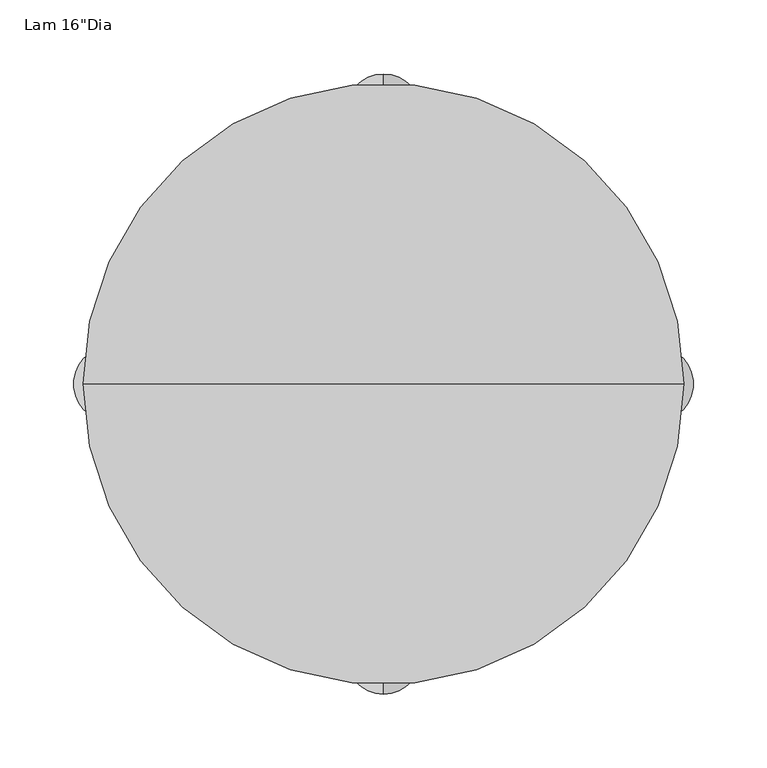
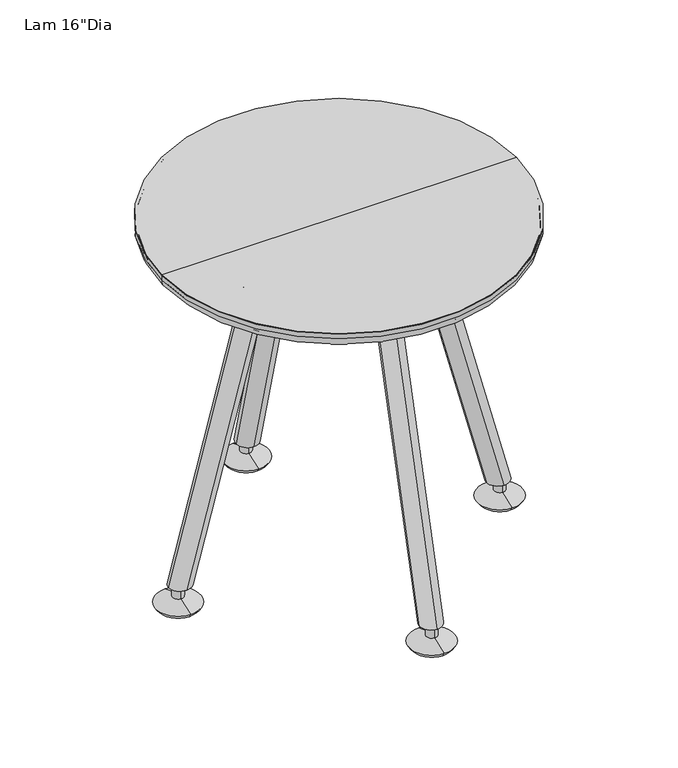
"""IFC4 building model written with IfcOpenShell, lengths in millimetres: furniture geometry."""

from ifc_helpers import new_model, si_unit, point, frame, origin, place, context, project, spatial, polyline, circle_curve, ellipse_curve, trimmed, source, transform, mapped, element, save
from ifc_brep_helpers import plane_surface, cylinder_surface, revolved_surface, advanced_brep


def furniture_f097f61e(model_context):
    return source(origin(), model_context, "Body", "AdvancedBrep", [
        advanced_brep(
        [(-184.15, 0.0, 25.7156366), (-184.15, -6.35, 25.7156366), (-184.15, 6.35, 25.7156366), (-184.15, -6.35, 11.8293866), (-184.15, 6.35, 11.8293866), (-184.15, -25.4, 4.2567259), (-184.15, 25.4, 4.2567259), (-184.15, -22.5645557, 0.0), (-184.15, 22.5645557, 0.0), (-184.15, 0.0, 0.0)],
        [
            (0, 1),
            (1, 2, circle_curve(frame((-184.15, 0.0, 25.7156366), z_axis=(0.0, 0.0, 1.0), x_axis=(0.0, -1.0, 0.0)), 6.35)),
            (2, 0),
            (2, 1, circle_curve(frame((-184.15, 0.0, 25.7156366), z_axis=(0.0, 0.0, 1.0), x_axis=(0.0, -1.0, 0.0)), 6.35)),
            (1, 3),
            (3, 4, circle_curve(frame((-184.15, 0.0, 11.8293866), z_axis=(0.0, 0.0, 1.0), x_axis=(0.0, -1.0, 0.0)), 6.35)),
            (4, 2),
            (4, 3, circle_curve(frame((-184.15, 0.0, 11.8293866), z_axis=(0.0, 0.0, 1.0), x_axis=(0.0, -1.0, 0.0)), 6.35)),
            (3, 5),
            (5, 6, circle_curve(frame((-184.15, 0.0, 4.2567259), z_axis=(0.0, 0.0, 1.0), x_axis=(0.0, -1.0, 0.0)), 25.4)),
            (6, 4),
            (6, 5, circle_curve(frame((-184.15, 0.0, 4.2567259), z_axis=(0.0, 0.0, 1.0), x_axis=(0.0, -1.0, 0.0)), 25.4)),
            (5, 7),
            (7, 8, circle_curve(frame((-184.15, 0.0, 0.0), z_axis=(0.0, 0.0, 1.0), x_axis=(0.0, -1.0, 0.0)), 22.5645557)),
            (8, 6),
            (8, 7, circle_curve(frame((-184.15, 0.0, 0.0), z_axis=(0.0, 0.0, 1.0), x_axis=(0.0, -1.0, 0.0)), 22.5645557)),
            (7, 9),
            (9, 8),
        ],
        [
            plane_surface(frame((-184.15, 0.0, 25.7156366), z_axis=(0.0, 0.0, 1.0), x_axis=(0.0, -1.0, 0.0))),
            cylinder_surface(frame((-184.15, 0.0, 21.123915), z_axis=(0.0, 0.0, 1.0), x_axis=(0.0, -1.0, 0.0)), 6.35),
            revolved_surface(polyline([(-184.15, -25.4, 4.2567259), (-184.15, -6.35, 11.8293866)]), (-184.15, 0.0, 21.123915), (0.0, 0.0, 1.0)),
            revolved_surface(polyline([(-184.15, -22.5645557, 0.0), (-184.15, -25.4, 4.2567259)]), (-184.15, 0.0, 21.123915), (0.0, 0.0, 1.0)),
            plane_surface(frame((-184.15, 0.0, 0.0), z_axis=(0.0, 0.0, -1.0), x_axis=(0.0, -1.0, 0.0))),
        ],
        [
            (0, [[1, 2, 3]]),
            (0, [[-3, 4, -1]]),
            (1, [[-2, 5, 6, 7]]),
            (1, [[-4, -7, 8, -5]]),
            (2, [[-6, 9, 10, 11]]),
            (2, [[-8, -11, 12, -9]]),
            (3, [[-10, 13, 14, 15]]),
            (3, [[-12, -15, 16, -13]]),
            (4, [[-14, 17, 18]]),
            (4, [[-16, -18, -17]]),
        ],
    ),
        advanced_brep(
        [(0.0, -184.15, 25.7156366), (0.0, -190.5, 25.7156366), (0.0, -177.8, 25.7156366), (0.0, -190.5, 11.8293866), (0.0, -177.8, 11.8293866), (0.0, -209.55, 4.2567259), (0.0, -158.75, 4.2567259), (0.0, -206.7145557, 0.0), (0.0, -161.5854443, 0.0), (0.0, -184.15, 0.0)],
        [
            (0, 1),
            (1, 2, circle_curve(frame((0.0, -184.15, 25.7156366), z_axis=(0.0, 0.0, 1.0), x_axis=(0.0, -1.0, 0.0)), 6.35)),
            (2, 0),
            (2, 1, circle_curve(frame((0.0, -184.15, 25.7156366), z_axis=(0.0, 0.0, 1.0), x_axis=(0.0, -1.0, 0.0)), 6.35)),
            (1, 3),
            (3, 4, circle_curve(frame((0.0, -184.15, 11.8293866), z_axis=(0.0, 0.0, 1.0), x_axis=(0.0, -1.0, 0.0)), 6.35)),
            (4, 2),
            (4, 3, circle_curve(frame((0.0, -184.15, 11.8293866), z_axis=(0.0, 0.0, 1.0), x_axis=(0.0, -1.0, 0.0)), 6.35)),
            (3, 5),
            (5, 6, circle_curve(frame((0.0, -184.15, 4.2567259), z_axis=(0.0, 0.0, 1.0), x_axis=(0.0, -1.0, 0.0)), 25.4)),
            (6, 4),
            (6, 5, circle_curve(frame((0.0, -184.15, 4.2567259), z_axis=(0.0, 0.0, 1.0), x_axis=(0.0, -1.0, 0.0)), 25.4)),
            (5, 7),
            (7, 8, circle_curve(frame((0.0, -184.15, 0.0), z_axis=(0.0, 0.0, 1.0), x_axis=(0.0, -1.0, 0.0)), 22.5645557)),
            (8, 6),
            (8, 7, circle_curve(frame((0.0, -184.15, 0.0), z_axis=(0.0, 0.0, 1.0), x_axis=(0.0, -1.0, 0.0)), 22.5645557)),
            (7, 9),
            (9, 8),
        ],
        [
            plane_surface(frame((0.0, -184.15, 25.7156366), z_axis=(0.0, 0.0, 1.0), x_axis=(0.0, -1.0, 0.0))),
            cylinder_surface(frame((0.0, -184.15, 21.123915), z_axis=(0.0, 0.0, 1.0), x_axis=(0.0, -1.0, 0.0)), 6.35),
            revolved_surface(polyline([(0.0, -209.55, 4.2567259), (0.0, -190.5, 11.8293866)]), (0.0, -184.15, 21.123915), (0.0, 0.0, 1.0)),
            revolved_surface(polyline([(0.0, -206.7145557, 0.0), (0.0, -209.55, 4.2567259)]), (0.0, -184.15, 21.123915), (0.0, 0.0, 1.0)),
            plane_surface(frame((0.0, -184.15, 0.0), z_axis=(0.0, 0.0, -1.0), x_axis=(0.0, -1.0, 0.0))),
        ],
        [
            (0, [[1, 2, 3]]),
            (0, [[-3, 4, -1]]),
            (1, [[-2, 5, 6, 7]]),
            (1, [[-4, -7, 8, -5]]),
            (2, [[-6, 9, 10, 11]]),
            (2, [[-8, -11, 12, -9]]),
            (3, [[-10, 13, 14, 15]]),
            (3, [[-12, -15, 16, -13]]),
            (4, [[-14, 17, 18]]),
            (4, [[-16, -18, -17]]),
        ],
    ),
        advanced_brep(
        [(184.15, 0.0, 25.7156366), (184.15, -6.35, 25.7156366), (184.15, 6.35, 25.7156366), (184.15, -6.35, 11.8293866), (184.15, 6.35, 11.8293866), (184.15, -25.4, 4.2567259), (184.15, 25.4, 4.2567259), (184.15, -22.5645557, 0.0), (184.15, 22.5645557, 0.0), (184.15, 0.0, 0.0)],
        [
            (0, 1),
            (1, 2, circle_curve(frame((184.15, 0.0, 25.7156366), z_axis=(0.0, 0.0, 1.0), x_axis=(0.0, -1.0, 0.0)), 6.35)),
            (2, 0),
            (2, 1, circle_curve(frame((184.15, 0.0, 25.7156366), z_axis=(0.0, 0.0, 1.0), x_axis=(0.0, -1.0, 0.0)), 6.35)),
            (1, 3),
            (3, 4, circle_curve(frame((184.15, 0.0, 11.8293866), z_axis=(0.0, 0.0, 1.0), x_axis=(0.0, -1.0, 0.0)), 6.35)),
            (4, 2),
            (4, 3, circle_curve(frame((184.15, 0.0, 11.8293866), z_axis=(0.0, 0.0, 1.0), x_axis=(0.0, -1.0, 0.0)), 6.35)),
            (3, 5),
            (5, 6, circle_curve(frame((184.15, 0.0, 4.2567259), z_axis=(0.0, 0.0, 1.0), x_axis=(0.0, -1.0, 0.0)), 25.4)),
            (6, 4),
            (6, 5, circle_curve(frame((184.15, 0.0, 4.2567259), z_axis=(0.0, 0.0, 1.0), x_axis=(0.0, -1.0, 0.0)), 25.4)),
            (5, 7),
            (7, 8, circle_curve(frame((184.15, 0.0, 0.0), z_axis=(0.0, 0.0, 1.0), x_axis=(0.0, -1.0, 0.0)), 22.5645557)),
            (8, 6),
            (8, 7, circle_curve(frame((184.15, 0.0, 0.0), z_axis=(0.0, 0.0, 1.0), x_axis=(0.0, -1.0, 0.0)), 22.5645557)),
            (7, 9),
            (9, 8),
        ],
        [
            plane_surface(frame((184.15, 0.0, 25.7156366), z_axis=(0.0, 0.0, 1.0), x_axis=(0.0, -1.0, 0.0))),
            cylinder_surface(frame((184.15, 0.0, 21.123915), z_axis=(0.0, 0.0, 1.0), x_axis=(0.0, -1.0, 0.0)), 6.35),
            revolved_surface(polyline([(184.15, -25.4, 4.2567259), (184.15, -6.35, 11.8293866)]), (184.15, 0.0, 21.123915), (0.0, 0.0, 1.0)),
            revolved_surface(polyline([(184.15, -22.5645557, 0.0), (184.15, -25.4, 4.2567259)]), (184.15, 0.0, 21.123915), (0.0, 0.0, 1.0)),
            plane_surface(frame((184.15, 0.0, 0.0), z_axis=(0.0, 0.0, -1.0), x_axis=(0.0, -1.0, 0.0))),
        ],
        [
            (0, [[1, 2, 3]]),
            (0, [[-3, 4, -1]]),
            (1, [[-2, 5, 6, 7]]),
            (1, [[-4, -7, 8, -5]]),
            (2, [[-6, 9, 10, 11]]),
            (2, [[-8, -11, 12, -9]]),
            (3, [[-10, 13, 14, 15]]),
            (3, [[-12, -15, 16, -13]]),
            (4, [[-14, 17, 18]]),
            (4, [[-16, -18, -17]]),
        ],
    ),
        advanced_brep(
        [(0.0, 184.15, 25.7156366), (0.0, 177.8, 25.7156366), (0.0, 190.5, 25.7156366), (0.0, 177.8, 11.8293866), (0.0, 190.5, 11.8293866), (0.0, 158.75, 4.2567259), (0.0, 209.55, 4.2567259), (0.0, 161.5854443, 0.0), (0.0, 206.7145557, 0.0), (0.0, 184.15, 0.0)],
        [
            (0, 1),
            (1, 2, circle_curve(frame((0.0, 184.15, 25.7156366), z_axis=(0.0, 0.0, 1.0), x_axis=(0.0, -1.0, 0.0)), 6.35)),
            (2, 0),
            (2, 1, circle_curve(frame((0.0, 184.15, 25.7156366), z_axis=(0.0, 0.0, 1.0), x_axis=(0.0, -1.0, 0.0)), 6.35)),
            (1, 3),
            (3, 4, circle_curve(frame((0.0, 184.15, 11.8293866), z_axis=(0.0, 0.0, 1.0), x_axis=(0.0, -1.0, 0.0)), 6.35)),
            (4, 2),
            (4, 3, circle_curve(frame((0.0, 184.15, 11.8293866), z_axis=(0.0, 0.0, 1.0), x_axis=(0.0, -1.0, 0.0)), 6.35)),
            (3, 5),
            (5, 6, circle_curve(frame((0.0, 184.15, 4.2567259), z_axis=(0.0, 0.0, 1.0), x_axis=(0.0, -1.0, 0.0)), 25.4)),
            (6, 4),
            (6, 5, circle_curve(frame((0.0, 184.15, 4.2567259), z_axis=(0.0, 0.0, 1.0), x_axis=(0.0, -1.0, 0.0)), 25.4)),
            (5, 7),
            (7, 8, circle_curve(frame((0.0, 184.15, 0.0), z_axis=(0.0, 0.0, 1.0), x_axis=(0.0, -1.0, 0.0)), 22.5645557)),
            (8, 6),
            (8, 7, circle_curve(frame((0.0, 184.15, 0.0), z_axis=(0.0, 0.0, 1.0), x_axis=(0.0, -1.0, 0.0)), 22.5645557)),
            (7, 9),
            (9, 8),
        ],
        [
            plane_surface(frame((0.0, 184.15, 25.7156366), z_axis=(0.0, 0.0, 1.0), x_axis=(0.0, -1.0, 0.0))),
            cylinder_surface(frame((0.0, 184.15, 21.123915), z_axis=(0.0, 0.0, 1.0), x_axis=(0.0, -1.0, 0.0)), 6.35),
            revolved_surface(polyline([(0.0, 158.75, 4.2567259), (0.0, 177.8, 11.8293866)]), (0.0, 184.15, 21.123915), (0.0, 0.0, 1.0)),
            revolved_surface(polyline([(0.0, 161.5854443, 0.0), (0.0, 158.75, 4.2567259)]), (0.0, 184.15, 21.123915), (0.0, 0.0, 1.0)),
            plane_surface(frame((0.0, 184.15, 0.0), z_axis=(0.0, 0.0, -1.0), x_axis=(0.0, -1.0, 0.0))),
        ],
        [
            (0, [[1, 2, 3]]),
            (0, [[-3, 4, -1]]),
            (1, [[-2, 5, 6, 7]]),
            (1, [[-4, -7, 8, -5]]),
            (2, [[-6, 9, 10, 11]]),
            (2, [[-8, -11, 12, -9]]),
            (3, [[-10, 13, 14, 15]]),
            (3, [[-12, -15, 16, -13]]),
            (4, [[-14, 17, 18]]),
            (4, [[-16, -18, -17]]),
        ],
    ),
        advanced_brep(
        [(-190.6563046, 0.0, 387.3372949), (190.6563046, 0.0, 387.3372949), (190.6563046, 0.0, 390.5122949), (-190.6563046, 0.0, 390.5122949), (-203.2, 0.0, 399.9979692), (203.2, 0.0, 399.9979692), (-203.2, 0.0, 405.4391187), (203.2, 0.0, 405.4391187), (-200.0252434, 0.0, 405.4391187), (200.0252434, 0.0, 405.4391187), (-200.0252434, 0.0, 399.9979692), (200.0252434, 0.0, 399.9979692)],
        [
            (0, 1, circle_curve(frame((0.0, 0.0, 387.3372949), z_axis=(0.0, 0.0, -1.0), x_axis=(1.0, 0.0, 0.0)), 190.6563046)),
            (1, 2),
            (2, 3, circle_curve(frame((0.0, 0.0, 390.5122949), z_axis=(0.0, 0.0, 1.0), x_axis=(1.0, 0.0, 0.0)), 190.6563046)),
            (3, 0),
            (1, 0, circle_curve(frame((0.0, 0.0, 387.3372949), z_axis=(0.0, 0.0, -1.0), x_axis=(1.0, 0.0, 0.0)), 190.6563046)),
            (3, 2, circle_curve(frame((0.0, 0.0, 390.5122949), z_axis=(0.0, 0.0, 1.0), x_axis=(1.0, 0.0, 0.0)), 190.6563046)),
            (4, 5, circle_curve(frame((0.0, 0.0, 399.9979692), z_axis=(0.0, 0.0, -1.0), x_axis=(1.0, 0.0, 0.0)), 203.2)),
            (5, 1, circle_curve(frame((190.5387802, 0.0, 399.9979692), z_axis=(0.0, 1.0, 0.0), x_axis=(1.0, 0.0, 0.0)), 12.6612198)),
            (0, 4, circle_curve(frame((-190.5387802, 0.0, 399.9979692), z_axis=(0.0, 1.0, 0.0), x_axis=(-1.0, 0.0, 0.0)), 12.6612198)),
            (5, 4, circle_curve(frame((0.0, 0.0, 399.9979692), z_axis=(0.0, 0.0, -1.0), x_axis=(1.0, 0.0, 0.0)), 203.2)),
            (6, 7, circle_curve(frame((0.0, 0.0, 405.4391187), z_axis=(0.0, 0.0, -1.0), x_axis=(1.0, 0.0, 0.0)), 203.2)),
            (7, 5),
            (4, 6),
            (7, 6, circle_curve(frame((0.0, 0.0, 405.4391187), z_axis=(0.0, 0.0, -1.0), x_axis=(1.0, 0.0, 0.0)), 203.2)),
            (8, 9, circle_curve(frame((0.0, 0.0, 405.4391187), z_axis=(0.0, 0.0, -1.0), x_axis=(1.0, 0.0, 0.0)), 200.0252434)),
            (9, 7),
            (6, 8),
            (9, 8, circle_curve(frame((0.0, 0.0, 405.4391187), z_axis=(0.0, 0.0, -1.0), x_axis=(1.0, 0.0, 0.0)), 200.0252434)),
            (10, 11, circle_curve(frame((0.0, 0.0, 399.9979692), z_axis=(0.0, 0.0, -1.0), x_axis=(1.0, 0.0, 0.0)), 200.0252434)),
            (11, 9),
            (8, 10),
            (11, 10, circle_curve(frame((0.0, 0.0, 399.9979692), z_axis=(0.0, 0.0, -1.0), x_axis=(1.0, 0.0, 0.0)), 200.0252434)),
            (2, 11, circle_curve(frame((190.5388418, 0.0, 399.9979692), z_axis=(0.0, -1.0, 0.0), x_axis=(1.0, 0.0, 0.0)), 9.4864016)),
            (10, 3, circle_curve(frame((-190.5388418, 0.0, 399.9979692), z_axis=(0.0, -1.0, 0.0), x_axis=(-1.0, 0.0, 0.0)), 9.4864016)),
        ],
        [
            revolved_surface(polyline([(190.6563046, 0.0, 390.5122949), (190.6563046, 0.0, 387.3372949)]), (0.0, 0.0, 485.7749879), (0.0, 0.0, 1.0)),
            revolved_surface(trimmed(ellipse_curve(frame((190.5387802, 0.0, 399.9979692), z_axis=(0.0, -1.0, 0.0), x_axis=(1.0, 0.0, 0.0)), 12.6612198, 12.6612198), [point((190.6563046, 0.0, 387.3372949))], [point((203.2, 0.0, 399.9979692))], True, "CARTESIAN"), (0.0, 0.0, 485.7749879), (0.0, 0.0, 1.0)),
            cylinder_surface(frame((0.0, 0.0, 485.7749879), z_axis=(0.0, 0.0, 1.0), x_axis=(1.0, 0.0, 0.0)), 203.2),
            plane_surface(frame((0.0, 0.0, 405.4391187), z_axis=(0.0, 0.0, 1.0), x_axis=(1.0, 0.0, 0.0))),
            revolved_surface(polyline([(200.0252434, 0.0, 405.4391187), (200.0252434, 0.0, 399.9979692)]), (0.0, 0.0, 485.7749879), (0.0, 0.0, 1.0)),
            revolved_surface(trimmed(ellipse_curve(frame((190.5388418, 0.0, 399.9979692), z_axis=(0.0, 1.0, 0.0), x_axis=(1.0, 0.0, 0.0)), 9.4864016, 9.4864016), [point((200.0252434, 0.0, 399.9979692))], [point((190.6563046, 0.0, 390.5122949))], True, "CARTESIAN"), (0.0, 0.0, 485.7749879), (0.0, 0.0, 1.0)),
        ],
        [
            (0, [[1, 2, 3, 4]]),
            (0, [[5, -4, 6, -2]]),
            (1, [[7, 8, -1, 9]]),
            (1, [[10, -9, -5, -8]]),
            (2, [[11, 12, -7, 13]]),
            (2, [[14, -13, -10, -12]]),
            (3, [[15, 16, -11, 17]]),
            (3, [[18, -17, -14, -16]]),
            (4, [[19, 20, -15, 21]]),
            (4, [[22, -21, -18, -20]]),
            (5, [[-3, 23, -19, 24]]),
            (5, [[-6, -24, -22, -23]]),
        ],
    ),
        advanced_brep(
        [(12.7, -99.0439999, 340.116994), (0.0, -111.3113855, 343.4040182), (0.0, -195.0965842, 24.9771279), (12.7, -181.9643094, 24.9771279), (-12.7, -99.0439999, 340.116994), (-12.7, -181.9643094, 24.9771279), (0.0, -86.7766143, 336.8299698), (0.0, -168.8320346, 24.9771279), (12.7, -56.1086028, 373.0625121), (0.0, -56.1086028, 385.7625121), (-12.7, -56.1086028, 373.0625121), (0.0, -56.1086028, 360.3625121), (12.7, 56.1086028, 373.0625121), (0.0, 56.1086028, 385.7625121), (-12.7, 56.1086028, 373.0625121), (0.0, 56.1086028, 360.3625121), (12.7, 99.0439999, 340.116994), (0.0, 111.3112607, 343.4039854), (-12.7, 99.0439999, 340.116994), (0.0, 86.7767391, 336.8300026), (12.7, 181.9643094, 24.9771279), (0.0, 195.0965842, 24.9771279), (-12.7, 181.9643094, 24.9771279), (0.0, 168.8320346, 24.9771279)],
        [
            (0, 1, circle_curve(frame((0.0, -99.0439999, 340.116994), z_axis=(0.0, -0.2588182182833468, -0.965926047834219), x_axis=(0.0, -0.965926047834219, 0.2588182182833468)), 12.7)),
            (1, 2),
            (2, 3, ellipse_curve(frame((0.0, -181.9643094, 24.9771279), z_axis=(0.0, 0.0, 1.0), x_axis=(0.0, -1.0, 0.0)), 13.1322748, 12.7)),
            (3, 0),
            (1, 4, circle_curve(frame((0.0, -99.0439999, 340.116994), z_axis=(0.0, -0.2588182182833468, -0.965926047834219), x_axis=(0.0, -0.965926047834219, 0.2588182182833468)), 12.7)),
            (4, 5),
            (5, 2, ellipse_curve(frame((0.0, -181.9643094, 24.9771279), z_axis=(0.0, 0.0, 1.0), x_axis=(0.0, -1.0, 0.0)), 13.1322748, 12.7)),
            (4, 6, circle_curve(frame((0.0, -99.0439999, 340.116994), z_axis=(0.0, -0.2588182182833468, -0.965926047834219), x_axis=(0.0, -0.965926047834219, 0.2588182182833468)), 12.7)),
            (6, 7),
            (7, 5, ellipse_curve(frame((0.0, -181.9643094, 24.9771279), z_axis=(0.0, 0.0, 1.0), x_axis=(0.0, -1.0, 0.0)), 13.1322748, 12.7)),
            (6, 0, circle_curve(frame((0.0, -99.0439999, 340.116994), z_axis=(0.0, -0.2588182182833468, -0.965926047834219), x_axis=(0.0, -0.965926047834219, 0.2588182182833468)), 12.7)),
            (3, 7, ellipse_curve(frame((0.0, -181.9643094, 24.9771279), z_axis=(0.0, 0.0, 1.0), x_axis=(0.0, -1.0, 0.0)), 13.1322748, 12.7)),
            (0, 8, circle_curve(frame((12.7, -56.1086028, 328.6125284), z_axis=(-1.0, 0.0, 0.0), x_axis=(0.0, -0.965926047834219, 0.2588182182833468)), 44.4499837)),
            (8, 9, circle_curve(frame((0.0, -56.1086028, 373.0625121), z_axis=(0.0, -1.0, 0.0), x_axis=(0.0, 0.0, 1.0)), 12.7)),
            (9, 1, circle_curve(frame((0.0, -56.1086028, 328.6125284), z_axis=(1.0, 0.0, 0.0), x_axis=(0.0, -0.965926047834219, 0.2588182182833468)), 57.1499837)),
            (9, 10, circle_curve(frame((0.0, -56.1086028, 373.0625121), z_axis=(0.0, -1.0, 0.0), x_axis=(0.0, 0.0, 1.0)), 12.7)),
            (10, 4, circle_curve(frame((-12.7, -56.1086028, 328.6125284), z_axis=(1.0, 0.0, 0.0), x_axis=(0.0, -0.965926047834219, 0.2588182182833468)), 44.4499837)),
            (10, 11, circle_curve(frame((0.0, -56.1086028, 373.0625121), z_axis=(0.0, -1.0, 0.0), x_axis=(0.0, 0.0, 1.0)), 12.7)),
            (11, 6, circle_curve(frame((0.0, -56.1086028, 328.6125284), z_axis=(1.0, 0.0, 0.0), x_axis=(0.0, -0.965926047834219, 0.2588182182833468)), 31.7499837)),
            (11, 8, circle_curve(frame((0.0, -56.1086028, 373.0625121), z_axis=(0.0, -1.0, 0.0), x_axis=(0.0, 0.0, 1.0)), 12.7)),
            (8, 12),
            (12, 13, circle_curve(frame((0.0, 56.1086028, 373.0625121), z_axis=(0.0, -1.0, 0.0), x_axis=(0.0, 0.0, 1.0)), 12.7)),
            (13, 9),
            (13, 14, circle_curve(frame((0.0, 56.1086028, 373.0625121), z_axis=(0.0, -1.0, 0.0), x_axis=(0.0, 0.0, 1.0)), 12.7)),
            (14, 10),
            (14, 15, circle_curve(frame((0.0, 56.1086028, 373.0625121), z_axis=(0.0, -1.0, 0.0), x_axis=(0.0, 0.0, 1.0)), 12.7)),
            (15, 11),
            (15, 12, circle_curve(frame((0.0, 56.1086028, 373.0625121), z_axis=(0.0, -1.0, 0.0), x_axis=(0.0, 0.0, 1.0)), 12.7)),
            (12, 16, circle_curve(frame((12.7, 56.1086028, 328.6125284), z_axis=(-1.0, 0.0, 0.0), x_axis=(0.0, 0.0, 1.0)), 44.4499837)),
            (16, 17, circle_curve(frame((0.0, 99.0439999, 340.116994), z_axis=(0.0, -0.2588182182830243, 0.9659260478343054), x_axis=(0.0, 0.9659260478343054, 0.2588182182830243)), 12.7)),
            (17, 13, circle_curve(frame((0.0, 56.1086028, 328.6125284), z_axis=(1.0, 0.0, 0.0), x_axis=(0.0, 0.0, 1.0)), 57.1499837)),
            (17, 18, circle_curve(frame((0.0, 99.0439999, 340.116994), z_axis=(0.0, -0.25881821828309315, 0.9659260478342869), x_axis=(0.0, 0.9659260478342869, 0.25881821828309315)), 12.7)),
            (18, 14, circle_curve(frame((-12.7, 56.1086028, 328.6125284), z_axis=(1.0, 0.0, 0.0), x_axis=(0.0, 0.0, 1.0)), 44.4499837)),
            (18, 19, circle_curve(frame((0.0, 99.0439999, 340.116994), z_axis=(0.0, -0.25881821828302387, 0.9659260478343055), x_axis=(0.0, 0.9659260478343055, 0.25881821828302387)), 12.7)),
            (19, 15, circle_curve(frame((0.0, 56.1086028, 328.6125284), z_axis=(1.0, 0.0, 0.0), x_axis=(0.0, 0.0, 1.0)), 31.7499837)),
            (19, 16, circle_curve(frame((0.0, 99.0439999, 340.116994), z_axis=(0.0, -0.2588182182828975, 0.9659260478343393), x_axis=(0.0, 0.9659260478343393, 0.2588182182828975)), 12.7)),
            (16, 20),
            (20, 21, ellipse_curve(frame((0.0, 181.9643094, 24.9771279), z_axis=(0.0, 0.0, 1.0), x_axis=(0.0, -1.0, 0.0)), 13.1322748, 12.7)),
            (21, 17),
            (21, 22, ellipse_curve(frame((0.0, 181.9643094, 24.9771279), z_axis=(0.0, 0.0, 1.0), x_axis=(0.0, -1.0, 0.0)), 13.1322748, 12.7)),
            (22, 18),
            (22, 23, ellipse_curve(frame((0.0, 181.9643094, 24.9771279), z_axis=(0.0, 0.0, 1.0), x_axis=(0.0, -1.0, 0.0)), 13.1322748, 12.7)),
            (23, 19),
            (23, 20, ellipse_curve(frame((0.0, 181.9643094, 24.9771279), z_axis=(0.0, 0.0, 1.0), x_axis=(0.0, -1.0, 0.0)), 13.1322748, 12.7)),
        ],
        [
            cylinder_surface(frame((0.0, -188.5363475, 0.0), z_axis=(0.0, -0.25446105723991413, -0.9670830214352567), x_axis=(0.0, -0.9670830214352567, 0.25446105723991413)), 12.7),
            revolved_surface(trimmed(ellipse_curve(frame((0.0, -99.0439999, 340.116994), z_axis=(0.0, -0.2588182182833468, -0.965926047834219), x_axis=(0.0, -0.965926047834219, 0.2588182182833468)), 12.7, 12.7), [point((12.7, -99.0439999, 340.116994))], [point((0.0, -111.3112607, 343.4039854))], True, "CARTESIAN"), (0.0, -56.1086028, 328.6125284), (-1.0, 0.0, 0.0)),
            revolved_surface(trimmed(ellipse_curve(frame((0.0, -99.0439999, 340.116994), z_axis=(0.0, -0.2588182182833468, -0.965926047834219), x_axis=(0.0, -0.965926047834219, 0.2588182182833468)), 12.7, 12.7), [point((0.0, -111.3112607, 343.4039854))], [point((-12.7, -99.0439999, 340.116994))], True, "CARTESIAN"), (0.0, -56.1086028, 328.6125284), (-1.0, 0.0, 0.0)),
            revolved_surface(trimmed(ellipse_curve(frame((0.0, -99.0439999, 340.116994), z_axis=(0.0, -0.2588182182833468, -0.965926047834219), x_axis=(0.0, -0.965926047834219, 0.2588182182833468)), 12.7, 12.7), [point((-12.7, -99.0439999, 340.116994))], [point((0.0, -86.7767391, 336.8300026))], True, "CARTESIAN"), (0.0, -56.1086028, 328.6125284), (-1.0, 0.0, 0.0)),
            revolved_surface(trimmed(ellipse_curve(frame((0.0, -99.0439999, 340.116994), z_axis=(0.0, -0.2588182182833468, -0.965926047834219), x_axis=(0.0, -0.965926047834219, 0.2588182182833468)), 12.7, 12.7), [point((0.0, -86.7767391, 336.8300026))], [point((12.7, -99.0439999, 340.116994))], True, "CARTESIAN"), (0.0, -56.1086028, 328.6125284), (-1.0, 0.0, 0.0)),
            cylinder_surface(frame((0.0, -56.1086028, 373.0625121), z_axis=(0.0, -1.0, 0.0), x_axis=(0.0, 0.0, 1.0)), 12.7),
            revolved_surface(trimmed(ellipse_curve(frame((0.0, 56.1086028, 373.0625121), z_axis=(0.0, -1.0, 0.0), x_axis=(0.0, 0.0, 1.0)), 12.7, 12.7), [point((12.7, 56.1086028, 373.0625121))], [point((0.0, 56.1086028, 385.7625121))], True, "CARTESIAN"), (0.0, 56.1086028, 328.6125284), (-1.0, 0.0, 0.0)),
            revolved_surface(trimmed(ellipse_curve(frame((0.0, 56.1086028, 373.0625121), z_axis=(0.0, -1.0, 0.0), x_axis=(0.0, 0.0, 1.0)), 12.7, 12.7), [point((0.0, 56.1086028, 385.7625121))], [point((-12.7, 56.1086028, 373.0625121))], True, "CARTESIAN"), (0.0, 56.1086028, 328.6125284), (-1.0, 0.0, 0.0)),
            revolved_surface(trimmed(ellipse_curve(frame((0.0, 56.1086028, 373.0625121), z_axis=(0.0, -1.0, 0.0), x_axis=(0.0, 0.0, 1.0)), 12.7, 12.7), [point((-12.7, 56.1086028, 373.0625121))], [point((0.0, 56.1086028, 360.3625121))], True, "CARTESIAN"), (0.0, 56.1086028, 328.6125284), (-1.0, 0.0, 0.0)),
            revolved_surface(trimmed(ellipse_curve(frame((0.0, 56.1086028, 373.0625121), z_axis=(0.0, -1.0, 0.0), x_axis=(0.0, 0.0, 1.0)), 12.7, 12.7), [point((0.0, 56.1086028, 360.3625121))], [point((12.7, 56.1086028, 373.0625121))], True, "CARTESIAN"), (0.0, 56.1086028, 328.6125284), (-1.0, 0.0, 0.0)),
            cylinder_surface(frame((0.0, 99.0439999, 340.116994), z_axis=(0.0, -0.2544610572394934, 0.9670830214353674), x_axis=(0.0, 0.9670830214353674, 0.2544610572394934)), 12.7),
            plane_surface(frame((331.9201687, -304.8, 24.9771279), z_axis=(0.0, 0.0, -1.0), x_axis=(0.0, 1.0, 0.0))),
        ],
        [
            (0, [[1, 2, 3, 4]]),
            (0, [[5, 6, 7, -2]]),
            (0, [[8, 9, 10, -6]]),
            (0, [[11, -4, 12, -9]]),
            (1, [[-1, 13, 14, 15]]),
            (2, [[-5, -15, 16, 17]]),
            (3, [[-8, -17, 18, 19]]),
            (4, [[-11, -19, 20, -13]]),
            (5, [[-14, 21, 22, 23]]),
            (5, [[-16, -23, 24, 25]]),
            (5, [[-18, -25, 26, 27]]),
            (5, [[-20, -27, 28, -21]]),
            (6, [[-22, 29, 30, 31]]),
            (7, [[-24, -31, 32, 33]]),
            (8, [[-26, -33, 34, 35]]),
            (9, [[-28, -35, 36, -29]]),
            (10, [[-30, 37, 38, 39]]),
            (10, [[-32, -39, 40, 41]]),
            (10, [[-34, -41, 42, 43]]),
            (10, [[-36, -43, 44, -37]]),
            (11, [[-3, -7, -10, -12]]),
            (11, [[-38, -44, -42, -40]]),
        ],
    ),
        advanced_brep(
        [(-99.0439999, -12.7, 340.116994), (-111.3113855, 0.0, 343.4040182), (-195.0965842, 0.0, 24.9771279), (-181.9643094, -12.7, 24.9771279), (-99.0439999, 12.7, 340.116994), (-181.9643094, 12.7, 24.9771279), (-86.7766143, 0.0, 336.8299698), (-168.8320346, 0.0, 24.9771279), (-56.1086028, -12.7, 373.0625121), (-56.1086028, 0.0, 385.7625121), (-56.1086028, 12.7, 373.0625121), (-56.1086028, 0.0, 360.3625121), (56.1086028, -12.7, 373.0625121), (56.1086028, 0.0, 385.7625121), (56.1086028, 12.7, 373.0625121), (56.1086028, 0.0, 360.3625121), (99.0439999, -12.7, 340.116994), (111.3112607, 0.0, 343.4039854), (99.0439999, 12.7, 340.116994), (86.7767391, 0.0, 336.8300026), (181.9643094, -12.7, 24.9771279), (195.0965842, 0.0, 24.9771279), (181.9643094, 12.7, 24.9771279), (168.8320346, 0.0, 24.9771279)],
        [
            (0, 1, circle_curve(frame((-99.0439999, 0.0, 340.116994), z_axis=(-0.25881821828333773, 0.0, -0.9659260478342214), x_axis=(-0.9659260478342214, 0.0, 0.25881821828333773)), 12.7)),
            (1, 2),
            (2, 3, ellipse_curve(frame((-181.9643094, 0.0, 24.9771279), z_axis=(0.0, 0.0, 1.0), x_axis=(-1.0, 0.0, 0.0)), 13.1322748, 12.7)),
            (3, 0),
            (1, 4, circle_curve(frame((-99.0439999, 0.0, 340.116994), z_axis=(-0.25881821828333773, 0.0, -0.9659260478342214), x_axis=(-0.9659260478342214, 0.0, 0.25881821828333773)), 12.7)),
            (4, 5),
            (5, 2, ellipse_curve(frame((-181.9643094, 0.0, 24.9771279), z_axis=(0.0, 0.0, 1.0), x_axis=(-1.0, 0.0, 0.0)), 13.1322748, 12.7)),
            (4, 6, circle_curve(frame((-99.0439999, 0.0, 340.116994), z_axis=(-0.25881821828333773, 0.0, -0.9659260478342214), x_axis=(-0.9659260478342214, 0.0, 0.25881821828333773)), 12.7)),
            (6, 7),
            (7, 5, ellipse_curve(frame((-181.9643094, 0.0, 24.9771279), z_axis=(0.0, 0.0, 1.0), x_axis=(-1.0, 0.0, 0.0)), 13.1322748, 12.7)),
            (6, 0, circle_curve(frame((-99.0439999, 0.0, 340.116994), z_axis=(-0.25881821828333773, 0.0, -0.9659260478342214), x_axis=(-0.9659260478342214, 0.0, 0.25881821828333773)), 12.7)),
            (3, 7, ellipse_curve(frame((-181.9643094, 0.0, 24.9771279), z_axis=(0.0, 0.0, 1.0), x_axis=(-1.0, 0.0, 0.0)), 13.1322748, 12.7)),
            (0, 8, circle_curve(frame((-56.1086028, -12.7, 328.6125284), z_axis=(0.0, 1.0, 0.0), x_axis=(-0.9659260478342214, 0.0, 0.25881821828333773)), 44.4499837)),
            (8, 9, circle_curve(frame((-56.1086028, 0.0, 373.0625121), z_axis=(-1.0, 0.0, 0.0), x_axis=(0.0, 0.0, 1.0)), 12.7)),
            (9, 1, circle_curve(frame((-56.1086028, 0.0, 328.6125284), z_axis=(0.0, -1.0, 0.0), x_axis=(-0.9659260478342214, 0.0, 0.25881821828333773)), 57.1499837)),
            (9, 10, circle_curve(frame((-56.1086028, 0.0, 373.0625121), z_axis=(-1.0, 0.0, 0.0), x_axis=(0.0, 0.0, 1.0)), 12.7)),
            (10, 4, circle_curve(frame((-56.1086028, 12.7, 328.6125284), z_axis=(0.0, -1.0, 0.0), x_axis=(-0.9659260478342214, 0.0, 0.25881821828333773)), 44.4499837)),
            (10, 11, circle_curve(frame((-56.1086028, 0.0, 373.0625121), z_axis=(-1.0, 0.0, 0.0), x_axis=(0.0, 0.0, 1.0)), 12.7)),
            (11, 6, circle_curve(frame((-56.1086028, 0.0, 328.6125284), z_axis=(0.0, -1.0, 0.0), x_axis=(-0.9659260478342214, 0.0, 0.25881821828333773)), 31.7499837)),
            (11, 8, circle_curve(frame((-56.1086028, 0.0, 373.0625121), z_axis=(-1.0, 0.0, 0.0), x_axis=(0.0, 0.0, 1.0)), 12.7)),
            (8, 12),
            (12, 13, circle_curve(frame((56.1086028, 0.0, 373.0625121), z_axis=(-1.0, 0.0, 0.0), x_axis=(0.0, 0.0, 1.0)), 12.7)),
            (13, 9),
            (13, 14, circle_curve(frame((56.1086028, 0.0, 373.0625121), z_axis=(-1.0, 0.0, 0.0), x_axis=(0.0, 0.0, 1.0)), 12.7)),
            (14, 10),
            (14, 15, circle_curve(frame((56.1086028, 0.0, 373.0625121), z_axis=(-1.0, 0.0, 0.0), x_axis=(0.0, 0.0, 1.0)), 12.7)),
            (15, 11),
            (15, 12, circle_curve(frame((56.1086028, 0.0, 373.0625121), z_axis=(-1.0, 0.0, 0.0), x_axis=(0.0, 0.0, 1.0)), 12.7)),
            (12, 16, circle_curve(frame((56.1086028, -12.7, 328.6125284), z_axis=(0.0, 1.0, 0.0), x_axis=(0.0, 0.0, 1.0)), 44.4499837)),
            (16, 17, circle_curve(frame((99.0439999, 0.0, 340.116994), z_axis=(-0.2588182182833338, 0.0, 0.9659260478342224), x_axis=(0.9659260478342224, 0.0, 0.2588182182833338)), 12.7)),
            (17, 13, circle_curve(frame((56.1086028, 0.0, 328.6125284), z_axis=(0.0, -1.0, 0.0), x_axis=(0.0, 0.0, 1.0)), 57.1499837)),
            (17, 18, circle_curve(frame((99.0439999, 0.0, 340.116994), z_axis=(-0.25881821828333335, 0.0, 0.9659260478342225), x_axis=(0.9659260478342225, 0.0, 0.25881821828333335)), 12.7)),
            (18, 14, circle_curve(frame((56.1086028, 12.7, 328.6125284), z_axis=(0.0, -1.0, 0.0), x_axis=(0.0, 0.0, 1.0)), 44.4499837)),
            (18, 19, circle_curve(frame((99.0439999, 0.0, 340.116994), z_axis=(-0.2588182182833317, 0.0, 0.965926047834223), x_axis=(0.965926047834223, 0.0, 0.2588182182833317)), 12.7)),
            (19, 15, circle_curve(frame((56.1086028, 0.0, 328.6125284), z_axis=(0.0, -1.0, 0.0), x_axis=(0.0, 0.0, 1.0)), 31.7499837)),
            (19, 16, circle_curve(frame((99.0439999, 0.0, 340.116994), z_axis=(-0.258818218283331, 0.0, 0.9659260478342232), x_axis=(0.9659260478342232, 0.0, 0.258818218283331)), 12.7)),
            (16, 20),
            (20, 21, ellipse_curve(frame((181.9643094, 0.0, 24.9771279), z_axis=(0.0, 0.0, 1.0), x_axis=(-1.0, 0.0, 0.0)), 13.1322748, 12.7)),
            (21, 17),
            (21, 22, ellipse_curve(frame((181.9643094, 0.0, 24.9771279), z_axis=(0.0, 0.0, 1.0), x_axis=(-1.0, 0.0, 0.0)), 13.1322748, 12.7)),
            (22, 18),
            (22, 23, ellipse_curve(frame((181.9643094, 0.0, 24.9771279), z_axis=(0.0, 0.0, 1.0), x_axis=(-1.0, 0.0, 0.0)), 13.1322748, 12.7)),
            (23, 19),
            (23, 20, ellipse_curve(frame((181.9643094, 0.0, 24.9771279), z_axis=(0.0, 0.0, 1.0), x_axis=(-1.0, 0.0, 0.0)), 13.1322748, 12.7)),
        ],
        [
            cylinder_surface(frame((-188.5363475, 0.0, 0.0), z_axis=(-0.2544610572396477, 0.0, -0.9670830214353269), x_axis=(-0.9670830214353269, 0.0, 0.2544610572396477)), 12.7),
            revolved_surface(trimmed(ellipse_curve(frame((-99.0439999, 0.0, 340.116994), z_axis=(-0.25881821828333773, 0.0, -0.9659260478342214), x_axis=(-0.9659260478342214, 0.0, 0.25881821828333773)), 12.7, 12.7), [point((-99.0439999, -12.7, 340.116994))], [point((-111.3112607, 0.0, 343.4039854))], True, "CARTESIAN"), (-56.1086028, 0.0, 328.6125284), (0.0, 1.0, 0.0)),
            revolved_surface(trimmed(ellipse_curve(frame((-99.0439999, 0.0, 340.116994), z_axis=(-0.25881821828333773, 0.0, -0.9659260478342214), x_axis=(-0.9659260478342214, 0.0, 0.25881821828333773)), 12.7, 12.7), [point((-111.3112607, 0.0, 343.4039854))], [point((-99.0439999, 12.7, 340.116994))], True, "CARTESIAN"), (-56.1086028, 0.0, 328.6125284), (0.0, 1.0, 0.0)),
            revolved_surface(trimmed(ellipse_curve(frame((-99.0439999, 0.0, 340.116994), z_axis=(-0.25881821828333773, 0.0, -0.9659260478342214), x_axis=(-0.9659260478342214, 0.0, 0.25881821828333773)), 12.7, 12.7), [point((-99.0439999, 12.7, 340.116994))], [point((-86.7767391, 0.0, 336.8300026))], True, "CARTESIAN"), (-56.1086028, 0.0, 328.6125284), (0.0, 1.0, 0.0)),
            revolved_surface(trimmed(ellipse_curve(frame((-99.0439999, 0.0, 340.116994), z_axis=(-0.25881821828333773, 0.0, -0.9659260478342214), x_axis=(-0.9659260478342214, 0.0, 0.25881821828333773)), 12.7, 12.7), [point((-86.7767391, 0.0, 336.8300026))], [point((-99.0439999, -12.7, 340.116994))], True, "CARTESIAN"), (-56.1086028, 0.0, 328.6125284), (0.0, 1.0, 0.0)),
            cylinder_surface(frame((-56.1086028, 0.0, 373.0625121), z_axis=(-1.0, 0.0, 0.0), x_axis=(0.0, 0.0, 1.0)), 12.7),
            revolved_surface(trimmed(ellipse_curve(frame((56.1086028, 0.0, 373.0625121), z_axis=(-1.0, 0.0, 0.0), x_axis=(0.0, 0.0, 1.0)), 12.7, 12.7), [point((56.1086028, -12.7, 373.0625121))], [point((56.1086028, 0.0, 385.7625121))], True, "CARTESIAN"), (56.1086028, 0.0, 328.6125284), (0.0, 1.0, 0.0)),
            revolved_surface(trimmed(ellipse_curve(frame((56.1086028, 0.0, 373.0625121), z_axis=(-1.0, 0.0, 0.0), x_axis=(0.0, 0.0, 1.0)), 12.7, 12.7), [point((56.1086028, 0.0, 385.7625121))], [point((56.1086028, 12.7, 373.0625121))], True, "CARTESIAN"), (56.1086028, 0.0, 328.6125284), (0.0, 1.0, 0.0)),
            revolved_surface(trimmed(ellipse_curve(frame((56.1086028, 0.0, 373.0625121), z_axis=(-1.0, 0.0, 0.0), x_axis=(0.0, 0.0, 1.0)), 12.7, 12.7), [point((56.1086028, 12.7, 373.0625121))], [point((56.1086028, 0.0, 360.3625121))], True, "CARTESIAN"), (56.1086028, 0.0, 328.6125284), (0.0, 1.0, 0.0)),
            revolved_surface(trimmed(ellipse_curve(frame((56.1086028, 0.0, 373.0625121), z_axis=(-1.0, 0.0, 0.0), x_axis=(0.0, 0.0, 1.0)), 12.7, 12.7), [point((56.1086028, 0.0, 360.3625121))], [point((56.1086028, -12.7, 373.0625121))], True, "CARTESIAN"), (56.1086028, 0.0, 328.6125284), (0.0, 1.0, 0.0)),
            cylinder_surface(frame((99.0439999, 0.0, 340.116994), z_axis=(-0.25446105723970147, 0.0, 0.9670830214353128), x_axis=(0.9670830214353128, 0.0, 0.25446105723970147)), 12.7),
            plane_surface(frame((331.9201687, -304.8, 24.9771279), z_axis=(0.0, 0.0, -1.0), x_axis=(0.0, 1.0, 0.0))),
        ],
        [
            (0, [[1, 2, 3, 4]]),
            (0, [[5, 6, 7, -2]]),
            (0, [[8, 9, 10, -6]]),
            (0, [[11, -4, 12, -9]]),
            (1, [[-1, 13, 14, 15]]),
            (2, [[-5, -15, 16, 17]]),
            (3, [[-8, -17, 18, 19]]),
            (4, [[-11, -19, 20, -13]]),
            (5, [[-14, 21, 22, 23]]),
            (5, [[-16, -23, 24, 25]]),
            (5, [[-18, -25, 26, 27]]),
            (5, [[-20, -27, 28, -21]]),
            (6, [[-22, 29, 30, 31]]),
            (7, [[-24, -31, 32, 33]]),
            (8, [[-26, -33, 34, 35]]),
            (9, [[-28, -35, 36, -29]]),
            (10, [[-30, 37, 38, 39]]),
            (10, [[-32, -39, 40, 41]]),
            (10, [[-34, -41, 42, 43]]),
            (10, [[-36, -43, 44, -37]]),
            (11, [[-3, -7, -10, -12]]),
            (11, [[-38, -44, -42, -40]]),
        ],
    ),
        advanced_brep(
        [(-104.7195642, 0.0, 387.3372949), (104.7195642, 0.0, 387.3372949), (104.7195642, 0.0, 384.1749879), (-104.7195642, 0.0, 384.1749879), (-190.6563046, 0.0, 387.3372949), (190.6563046, 0.0, 387.3372949), (-203.2, 0.0, 406.3872949), (203.2, 0.0, 406.3872949), (203.2, 0.0, 405.4391187), (-203.2, 0.0, 405.4391187), (0.0, 0.0, 406.3872949), (0.0, 0.0, 384.1749879), (-190.6563046, 0.0, 390.5122949), (190.6563046, 0.0, 390.5122949), (-200.0252434, 0.0, 399.9979692), (200.0252434, 0.0, 399.9979692), (-200.0252434, 0.0, 405.4391187), (200.0252434, 0.0, 405.4391187)],
        [
            (0, 1, circle_curve(frame((0.0, 0.0, 387.3372949), z_axis=(0.0, 0.0, -1.0), x_axis=(1.0, 0.0, 0.0)), 104.7195642)),
            (1, 2),
            (2, 3, circle_curve(frame((0.0, 0.0, 384.1749879), z_axis=(0.0, 0.0, 1.0), x_axis=(1.0, 0.0, 0.0)), 104.7195642)),
            (3, 0),
            (1, 0, circle_curve(frame((0.0, 0.0, 387.3372949), z_axis=(0.0, 0.0, -1.0), x_axis=(1.0, 0.0, 0.0)), 104.7195642)),
            (3, 2, circle_curve(frame((0.0, 0.0, 384.1749879), z_axis=(0.0, 0.0, 1.0), x_axis=(1.0, 0.0, 0.0)), 104.7195642)),
            (4, 5, circle_curve(frame((0.0, 0.0, 387.3372949), z_axis=(0.0, 0.0, -1.0), x_axis=(1.0, 0.0, 0.0)), 190.6563046)),
            (5, 1),
            (0, 4),
            (5, 4, circle_curve(frame((0.0, 0.0, 387.3372949), z_axis=(0.0, 0.0, -1.0), x_axis=(1.0, 0.0, 0.0)), 190.6563046)),
            (6, 7, circle_curve(frame((0.0, 0.0, 406.3872949), z_axis=(0.0, 0.0, -1.0), x_axis=(1.0, 0.0, 0.0)), 203.2)),
            (7, 8),
            (8, 9, circle_curve(frame((0.0, 0.0, 405.4391187), z_axis=(0.0, 0.0, 1.0), x_axis=(1.0, 0.0, 0.0)), 203.2)),
            (9, 6),
            (7, 6, circle_curve(frame((0.0, 0.0, 406.3872949), z_axis=(0.0, 0.0, -1.0), x_axis=(1.0, 0.0, 0.0)), 203.2)),
            (9, 8, circle_curve(frame((0.0, 0.0, 405.4391187), z_axis=(0.0, 0.0, 1.0), x_axis=(1.0, 0.0, 0.0)), 203.2)),
            (10, 7),
            (6, 10),
            (2, 11),
            (11, 3),
            (12, 13, circle_curve(frame((0.0, 0.0, 390.5122949), z_axis=(0.0, 0.0, -1.0), x_axis=(1.0, 0.0, 0.0)), 190.6563046)),
            (13, 5),
            (4, 12),
            (13, 12, circle_curve(frame((0.0, 0.0, 390.5122949), z_axis=(0.0, 0.0, -1.0), x_axis=(1.0, 0.0, 0.0)), 190.6563046)),
            (14, 15, circle_curve(frame((0.0, 0.0, 399.9979692), z_axis=(0.0, 0.0, -1.0), x_axis=(1.0, 0.0, 0.0)), 200.0252434)),
            (15, 13, circle_curve(frame((190.6563046, 0.0, 399.8819519), z_axis=(0.0, 1.0, 0.0), x_axis=(1.0, 0.0, 0.0)), 9.3696571)),
            (12, 14, circle_curve(frame((-190.6563046, 0.0, 399.8819519), z_axis=(0.0, 1.0, 0.0), x_axis=(-1.0, 0.0, 0.0)), 9.3696571)),
            (15, 14, circle_curve(frame((0.0, 0.0, 399.9979692), z_axis=(0.0, 0.0, -1.0), x_axis=(1.0, 0.0, 0.0)), 200.0252434)),
            (16, 17, circle_curve(frame((0.0, 0.0, 405.4391187), z_axis=(0.0, 0.0, -1.0), x_axis=(1.0, 0.0, 0.0)), 200.0252434)),
            (17, 15),
            (14, 16),
            (17, 16, circle_curve(frame((0.0, 0.0, 405.4391187), z_axis=(0.0, 0.0, -1.0), x_axis=(1.0, 0.0, 0.0)), 200.0252434)),
            (8, 17),
            (16, 9),
        ],
        [
            cylinder_surface(frame((0.0, 0.0, 450.8372949), z_axis=(0.0, 0.0, 1.0), x_axis=(1.0, 0.0, 0.0)), 104.7195642),
            plane_surface(frame((0.0, 0.0, 387.3372949), z_axis=(0.0, 0.0, -1.0), x_axis=(1.0, 0.0, 0.0))),
            cylinder_surface(frame((0.0, 0.0, 450.8372949), z_axis=(0.0, 0.0, 1.0), x_axis=(1.0, 0.0, 0.0)), 203.2),
            plane_surface(frame((0.0, 0.0, 406.3872949), z_axis=(0.0, 0.0, 1.0), x_axis=(1.0, 0.0, 0.0))),
            plane_surface(frame((0.0, 0.0, 384.1749879), z_axis=(0.0, 0.0, -1.0), x_axis=(1.0, 0.0, 0.0))),
            cylinder_surface(frame((0.0, 0.0, 450.8372949), z_axis=(0.0, 0.0, 1.0), x_axis=(1.0, 0.0, 0.0)), 190.6563046),
            revolved_surface(trimmed(ellipse_curve(frame((190.6563046, 0.0, 399.8819519), z_axis=(0.0, -1.0, 0.0), x_axis=(1.0, 0.0, 0.0)), 9.3696571, 9.3696571), [point((190.6563046, 0.0, 390.5122949))], [point((200.0252434, 0.0, 399.9979692))], True, "CARTESIAN"), (0.0, 0.0, 450.8372949), (0.0, 0.0, 1.0)),
            cylinder_surface(frame((0.0, 0.0, 450.8372949), z_axis=(0.0, 0.0, 1.0), x_axis=(1.0, 0.0, 0.0)), 200.0252434),
            plane_surface(frame((0.0, 0.0, 405.4391187), z_axis=(0.0, 0.0, -1.0), x_axis=(1.0, 0.0, 0.0))),
        ],
        [
            (0, [[1, 2, 3, 4]]),
            (0, [[5, -4, 6, -2]]),
            (1, [[7, 8, -1, 9]]),
            (1, [[10, -9, -5, -8]]),
            (2, [[11, 12, 13, 14]]),
            (2, [[15, -14, 16, -12]]),
            (3, [[17, -11, 18]]),
            (3, [[-18, -15, -17]]),
            (4, [[-3, 19, 20]]),
            (4, [[-6, -20, -19]]),
            (5, [[21, 22, -7, 23]]),
            (5, [[24, -23, -10, -22]]),
            (6, [[25, 26, -21, 27]]),
            (6, [[28, -27, -24, -26]]),
            (7, [[29, 30, -25, 31]]),
            (7, [[32, -31, -28, -30]]),
            (8, [[-13, 33, -29, 34]]),
            (8, [[-16, -34, -32, -33]]),
        ],
    ),
    ])


if __name__ == "__main__":
    model = new_model("IFC4")
    model_context = context("Model", 3, world=origin())
    ifc_project = project(units=[si_unit("LENGTHUNIT", "METRE", prefix="MILLI")], contexts=[model_context])
    site = spatial("IfcSite", under=ifc_project)
    building = spatial("IfcBuilding", under=site)
    placement = place(None, origin())
    furniture_shape = furniture_f097f61e(model_context)
    element("IfcFurniture", 1, ObjectType="Lam 16\"Dia", at=placement, inside=building, context=model_context, shape_type="MappedRepresentation", body=[
        mapped(furniture_shape, transform((0.0, 0.0, 0.0), x_axis=(1.0, 0.0, 0.0), y_axis=(0.0, 1.0, 0.0), z_axis=(0.0, 0.0, 1.0))),
    ])
    save(model, "model.ifc")
